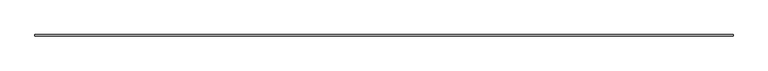
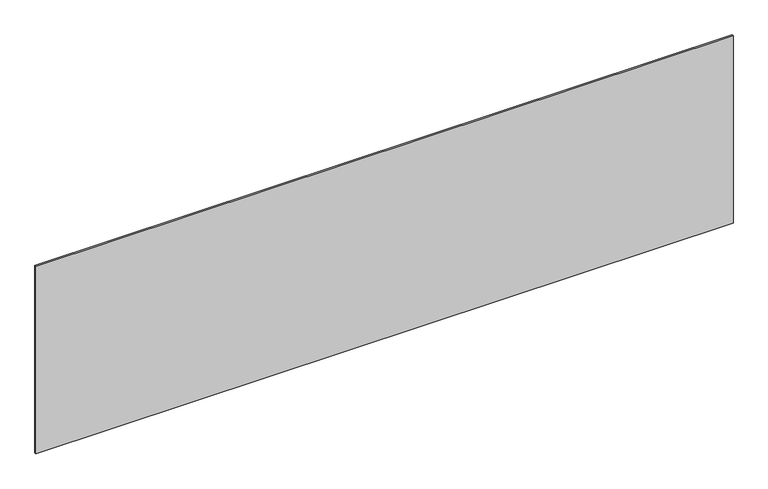
"""IFC4 building model written with IfcOpenShell, lengths in millimetres: plate geometry."""

from ifc_helpers import new_model, si_unit, origin, origin_with_axes, place, context, project, spatial, polyline, outline, extrude, source, transform, mapped, element, save


def plate_3d523d60(model_context):
    return source(origin(), model_context, "Body", "SweptSolid", [
        extrude(outline(polyline([(2264.1666667, -5.0), (-2264.1666667, -5.0), (-2264.1666667, 5.0), (2264.1666667, 5.0), (2264.1666667, -5.0)])), origin_with_axes(), (0.0, 0.0, 1.0), 1288.1660768),
    ])


if __name__ == "__main__":
    model = new_model("IFC4")
    model_context = context("Model", 3, world=origin())
    ifc_project = project(units=[si_unit("LENGTHUNIT", "METRE", prefix="MILLI")], contexts=[model_context])
    site = spatial("IfcSite", under=ifc_project)
    building = spatial("IfcBuilding", under=site)
    placement = place(None, origin())
    plate_shape = plate_3d523d60(model_context)
    element("IfcPlate", 1, at=placement, inside=building, context=model_context, shape_type="MappedRepresentation", body=[
        mapped(plate_shape, transform((0.0, 0.0, 0.0), x_axis=(1.0, 0.0, 0.0), y_axis=(0.0, 1.0, 0.0), z_axis=(0.0, 0.0, 1.0))),
    ])
    save(model, "model.ifc")
